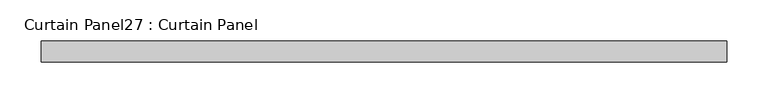
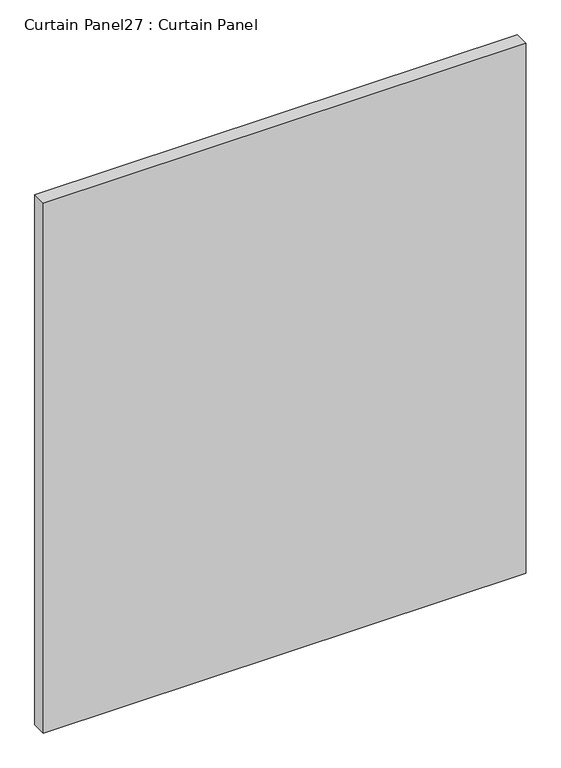
"""IFC4 building model written with IfcOpenShell, lengths in millimetres: plate geometry, Curtain Panel27 : Curtain Panel."""

import ifcopenshell
import ifcopenshell.guid

model = None  # the IFC model being written
_history = None  # IfcOwnerHistory: only IFC2X3 demands one
_inside = {}  # id of a spatial element -> (the spatial element, [elements in it])
_under = {}  # id of a project, library or spatial element -> (it, [spatial elements below it])
_declared = {}  # id of a project -> (the project, [libraries it declares])
_typed = {}  # id of a type object -> (the type object, [elements of that type])
_made_of = {}  # id of a material, layer set ... -> (it, [elements and type objects made of it])


def new_model(schema):
    """Start an empty IFC model of exactly this schema.

    Asked for "IFC4X3", IfcOpenShell would pick the latest addendum, in which some entities
    have other attributes; the version numbers below select the first issue.
    IFC2X3 requires an IfcOwnerHistory on every rooted entity: one is made here for all.
    """
    global model, _history
    if schema == "IFC4X3":
        model = ifcopenshell.file(schema_version=(4, 3, 0, 0))
    else:
        model = ifcopenshell.file(schema=schema)
    _inside.clear()
    _under.clear()
    _declared.clear()
    _typed.clear()
    _made_of.clear()
    _history = None
    if model.schema == "IFC2X3":
        org = make("IfcOrganization", Name="unknown")
        user = make(
            "IfcPersonAndOrganization",
            ThePerson=make("IfcPerson", FamilyName="unknown"),
            TheOrganization=org,
        )
        app = make(
            "IfcApplication",
            ApplicationDeveloper=org,
            Version="unknown",
            ApplicationFullName="unknown",
            ApplicationIdentifier="unknown",
        )
        _history = make(
            "IfcOwnerHistory",
            OwningUser=user,
            OwningApplication=app,
            ChangeAction="ADDED",
            CreationDate=0,
        )
    return model


def make(cls, **values):
    """One entity of the class cls with the attributes given. An attribute that is None is left unset."""
    return model.create_entity(
        cls, **{name: value for name, value in values.items() if value is not None}
    )


def rooted(cls, **values):
    """An entity with a GlobalId (a new one), such as an element, a storey or a relation."""
    return make(cls, GlobalId=ifcopenshell.guid.new(), OwnerHistory=_history, **values)


def si_unit(unit_type, name, prefix=None):
    """IfcSIUnit, for example si_unit("LENGTHUNIT", "METRE", prefix="MILLI")."""
    return make("IfcSIUnit", UnitType=unit_type, Prefix=prefix, Name=name)


def assignment(units):
    """IfcUnitAssignment: the units of a project."""
    return None if units is None else make("IfcUnitAssignment", Units=units)


def point(xyz):
    """IfcCartesianPoint."""
    return None if xyz is None else make("IfcCartesianPoint", Coordinates=xyz)


def direction(xyz):
    """IfcDirection."""
    return None if xyz is None else make("IfcDirection", DirectionRatios=xyz)


def frame(location, z_axis=None, x_axis=None):
    """IfcAxis2Placement3D, a coordinate frame: its origin and axes. An axis left out is left unset."""
    return make(
        "IfcAxis2Placement3D",
        Location=point(location),
        Axis=direction(z_axis),
        RefDirection=direction(x_axis),
    )


def origin():
    """The frame at (0, 0, 0) with its axes left unset."""
    return frame((0.0, 0.0, 0.0))


def place(relative_to, where):
    """IfcLocalPlacement: puts the frame where relative to a parent placement (None: the world)."""
    return make(
        "IfcLocalPlacement", PlacementRelTo=relative_to, RelativePlacement=where
    )


def context(
    kind, dimensions, precision=None, world=None, true_north=None, identifier=None
):
    """IfcGeometricRepresentationContext, for example the 3D "Model" context."""
    return make(
        "IfcGeometricRepresentationContext",
        ContextIdentifier=identifier,
        ContextType=kind,
        CoordinateSpaceDimension=dimensions,
        Precision=precision,
        WorldCoordinateSystem=world,
        TrueNorth=true_north,
    )


def project(units=None, contexts=None):
    """IfcProject with its units and contexts."""
    return rooted(
        "IfcProject",
        Name="project",
        RepresentationContexts=contexts,
        UnitsInContext=assignment(units),
    )


def spatial(cls, under=None, at=None, **own):
    """A site, building, storey or space (cls), placed at a placement, below another one or the project."""
    s = rooted(cls, ObjectPlacement=at, **own)
    if under is not None:
        _under.setdefault(under.id(), (under, []))[1].append(s)
    return s


def polyline(points):
    """IfcPolyline through the points."""
    return make("IfcPolyline", Points=[point(p) for p in points])


def outline(outer, holes=None, kind="AREA"):
    """IfcArbitraryClosedProfileDef: a profile drawn as a closed curve; with holes, ...WithVoids."""
    if holes is None:
        return make("IfcArbitraryClosedProfileDef", ProfileType=kind, OuterCurve=outer)
    return make(
        "IfcArbitraryProfileDefWithVoids",
        ProfileType=kind,
        OuterCurve=outer,
        InnerCurves=holes,
    )


def extrude(swept, where, along, depth):
    """IfcExtrudedAreaSolid: the profile swept, set in the frame where, extruded along a direction by depth."""
    return make(
        "IfcExtrudedAreaSolid",
        SweptArea=swept,
        Position=where,
        ExtrudedDirection=direction(along),
        Depth=depth,
    )


def shape(context_of_items, identifier, shape_type, items):
    """IfcShapeRepresentation: the items that make up one representation, for example the "Body"."""
    return make(
        "IfcShapeRepresentation",
        ContextOfItems=context_of_items,
        RepresentationIdentifier=identifier,
        RepresentationType=shape_type,
        Items=items,
    )


def source(mapping_origin, context_of_items, identifier, shape_type, items):
    """IfcRepresentationMap: a shape defined once, which mapped items show again and again."""
    return make(
        "IfcRepresentationMap",
        MappingOrigin=mapping_origin,
        MappedRepresentation=shape(context_of_items, identifier, shape_type, items),
    )


def transform(
    local_origin,
    x_axis=None,
    y_axis=None,
    z_axis=None,
    scale=None,
    scale2=None,
    scale3=None,
    uniform=True,
):
    """IfcCartesianTransformationOperator3D, or its non-uniform kind. x_axis, y_axis, z_axis: its Axis1, 2, 3."""
    if uniform:
        return make(
            "IfcCartesianTransformationOperator3D",
            Axis1=direction(x_axis),
            Axis2=direction(y_axis),
            LocalOrigin=point(local_origin),
            Scale=scale,
            Axis3=direction(z_axis),
        )
    return make(
        "IfcCartesianTransformationOperator3DnonUniform",
        Axis1=direction(x_axis),
        Axis2=direction(y_axis),
        LocalOrigin=point(local_origin),
        Scale=scale,
        Axis3=direction(z_axis),
        Scale2=scale2,
        Scale3=scale3,
    )


def mapped(mapping_source, mapping_target):
    """IfcMappedItem: shows the shape of a source again, moved by a transform."""
    return make(
        "IfcMappedItem", MappingSource=mapping_source, MappingTarget=mapping_target
    )


def made_of(thing, what):
    """Note that an element or type object is made of a material, layer set ...; save() writes the relation."""
    if what is not None:
        _made_of.setdefault(what.id(), (what, []))[1].append(thing)
    return thing


def element(
    cls,
    number,
    at=None,
    inside=None,
    cuts=None,
    type_object=None,
    material=None,
    context=None,
    identifier="Body",
    shape_type=None,
    held_by="IfcProductDefinitionShape",
    body=None,
    shapes=None,
    **own,
):
    """One element of the class cls, such as IfcWall. Its Tag is "e" and its number.

    at: its placement. inside: the storey or other place that contains it. cuts: it is an
    opening in that element (IfcRelVoidsElement). A single representation is given by context,
    identifier, shape_type and body (its items); several are given by shapes. held_by: the class
    of the entity that holds the representations. save() writes the other relations.
    """
    e = rooted(cls, Tag="e%d" % number, ObjectPlacement=at, **own)
    if body is not None:
        shapes = [shape(context, identifier, shape_type, body)]
    if shapes is not None:
        e.Representation = make(held_by, Representations=shapes)
    if inside is not None:
        _inside.setdefault(inside.id(), (inside, []))[1].append(e)
    if cuts is not None:
        rooted(
            "IfcRelVoidsElement", RelatingBuildingElement=cuts, RelatedOpeningElement=e
        )
    if type_object is not None:
        _typed.setdefault(type_object.id(), (type_object, []))[1].append(e)
    return made_of(e, material)


def aggregate(whole, parts):
    """IfcRelAggregates: a whole, such as a stair, and the parts it consists of."""
    return rooted("IfcRelAggregates", RelatingObject=whole, RelatedObjects=parts)


def save(model, path):
    """Write the relations noted so far, then the file.

    IfcRelAggregates (storeys below a building ...), IfcRelContainedInSpatialStructure (elements
    in a storey), IfcRelDefinesByType, IfcRelAssociatesMaterial and IfcRelDeclares: one each for
    every whole, place, type object, material and project.
    """
    for whole, parts in _under.values():
        aggregate(whole, parts)
    for where, things in _inside.values():
        rooted(
            "IfcRelContainedInSpatialStructure",
            RelatedElements=things,
            RelatingStructure=where,
        )
    for kind, things in _typed.values():
        rooted("IfcRelDefinesByType", RelatedObjects=things, RelatingType=kind)
    for what, things in _made_of.values():
        rooted("IfcRelAssociatesMaterial", RelatedObjects=things, RelatingMaterial=what)
    for by, libraries in _declared.values():
        rooted("IfcRelDeclares", RelatingContext=by, RelatedDefinitions=libraries)
    model.write(path)


def curtain_panel27_curtain_panel_b1e72cda(model_context):
    return source(origin(), model_context, "Body", "SweptSolid", [
        extrude(outline(polyline([(53370.7903075, 2514.0505002), (52538.9406472, 2514.0505002), (52538.9406472, 2539.4505002), (53370.7903075, 2539.4505002), (53370.7903075, 2514.0505002)])), frame((0.0, 0.0, 195.8169807), z_axis=(0.0, 0.0, 1.0), x_axis=(1.0, 0.0, 0.0)), (0.0, 0.0, 1.0), 965.2111642),
    ])


if __name__ == "__main__":
    model = new_model("IFC4")
    model_context = context("Model", 3, world=origin())
    ifc_project = project(units=[si_unit("LENGTHUNIT", "METRE", prefix="MILLI")], contexts=[model_context])
    site = spatial("IfcSite", under=ifc_project)
    building = spatial("IfcBuilding", under=site)
    placement = place(None, origin())
    curtain_panel27_curtain_panel_shape = curtain_panel27_curtain_panel_b1e72cda(model_context)
    element("IfcPlate", 1, ObjectType="Curtain Panel27 : Curtain Panel", at=placement, inside=building, context=model_context, shape_type="MappedRepresentation", body=[
        mapped(curtain_panel27_curtain_panel_shape, transform((0.0, 0.0, 0.0), x_axis=(1.0, 0.0, 0.0), y_axis=(0.0, 1.0, 0.0), z_axis=(0.0, 0.0, 1.0))),
    ])
    save(model, "model.ifc")
